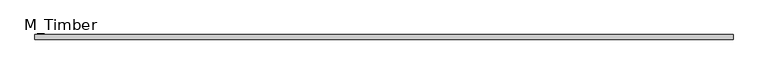
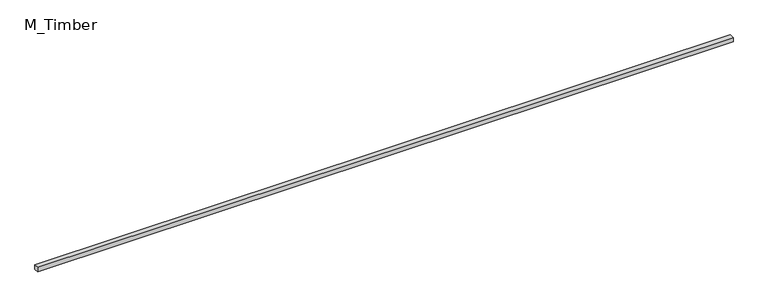
"""IFC4 building model written with IfcOpenShell, lengths in millimetres: beam geometry, M_Timber."""

from ifc_helpers import new_model, si_unit, frame, origin, place, context, project, spatial, polyline, outline, extrude, source, transform, mapped, element, save


def m_timber_7a262eb8(model_context):
    return source(origin(), model_context, "Body", "SweptSolid", [
        extrude(outline(polyline([(4533.0161951, 30.0), (4533.0161951, -30.0), (-4533.0161951, -30.0), (-4533.0161951, 30.0), (4533.0161951, 30.0)])), frame((0.0, 0.0, -30.0), z_axis=(0.0, 0.0, 1.0), x_axis=(1.0, 0.0, 0.0)), (0.0, 0.0, 1.0), 60.0),
    ])


if __name__ == "__main__":
    model = new_model("IFC4")
    model_context = context("Model", 3, world=origin())
    ifc_project = project(units=[si_unit("LENGTHUNIT", "METRE", prefix="MILLI")], contexts=[model_context])
    site = spatial("IfcSite", under=ifc_project)
    building = spatial("IfcBuilding", under=site)
    placement = place(None, origin())
    m_timber_shape = m_timber_7a262eb8(model_context)
    element("IfcBeam", 1, ObjectType="M_Timber", at=placement, inside=building, context=model_context, shape_type="MappedRepresentation", body=[
        mapped(m_timber_shape, transform((0.0, 0.0, 0.0), x_axis=(1.0, 0.0, 0.0), y_axis=(0.0, 1.0, 0.0), z_axis=(0.0, 0.0, 1.0))),
    ])
    save(model, "model.ifc")
